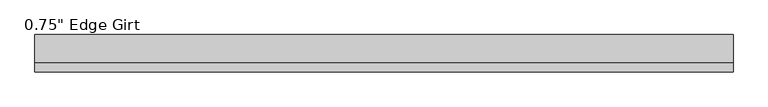
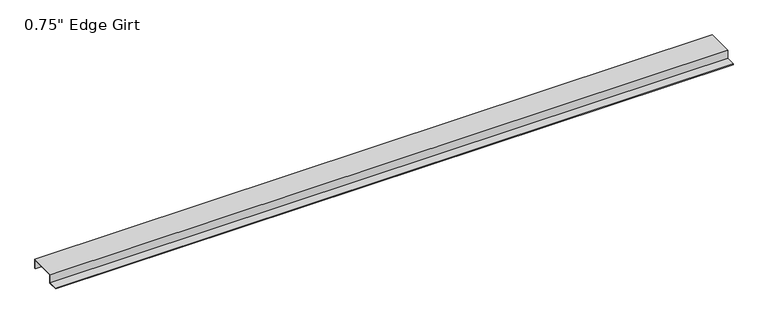
"""IFC4 building model written with IfcOpenShell, lengths in millimetres: proxy geometry."""

from ifc_helpers import new_model, si_unit, frame, origin, place, context, project, spatial, polyline, outline, extrude, source, transform, mapped, element, save


def proxy_cd661b27(model_context):
    return source(origin(), model_context, "Body", "SweptSolid", [
        extrude(outline(polyline([(-46.0559645, -17.4375), (-46.0559645, -15.8242), (-27.0129, -15.8242), (-27.0129, 1.6129), (27.0129, 1.6129), (27.0129, -17.4375), (25.4, -17.4375), (25.4, 0.0), (-25.4, 0.0), (-25.4, -17.4375), (-46.0559645, -17.4375)])), frame((0.0, 0.0, 0.0), z_axis=(1.0, 0.0, 0.0), x_axis=(0.0, 1.0, 0.0)), (0.0, 0.0, 1.0), 1364.8117491),
    ])


if __name__ == "__main__":
    model = new_model("IFC4")
    model_context = context("Model", 3, world=origin())
    ifc_project = project(units=[si_unit("LENGTHUNIT", "METRE", prefix="MILLI")], contexts=[model_context])
    site = spatial("IfcSite", under=ifc_project)
    building = spatial("IfcBuilding", under=site)
    placement = place(None, origin())
    proxy_shape = proxy_cd661b27(model_context)
    element("IfcBuildingElementProxy", 1, Name="0.75\" Edge Girt", ObjectType="0.75\" Edge Girt", at=placement, inside=building, context=model_context, shape_type="MappedRepresentation", body=[
        mapped(proxy_shape, transform((0.0, 0.0, 0.0), x_axis=(1.0, 0.0, 0.0), y_axis=(0.0, 1.0, 0.0), z_axis=(0.0, 0.0, 1.0))),
    ])
    save(model, "model.ifc")
